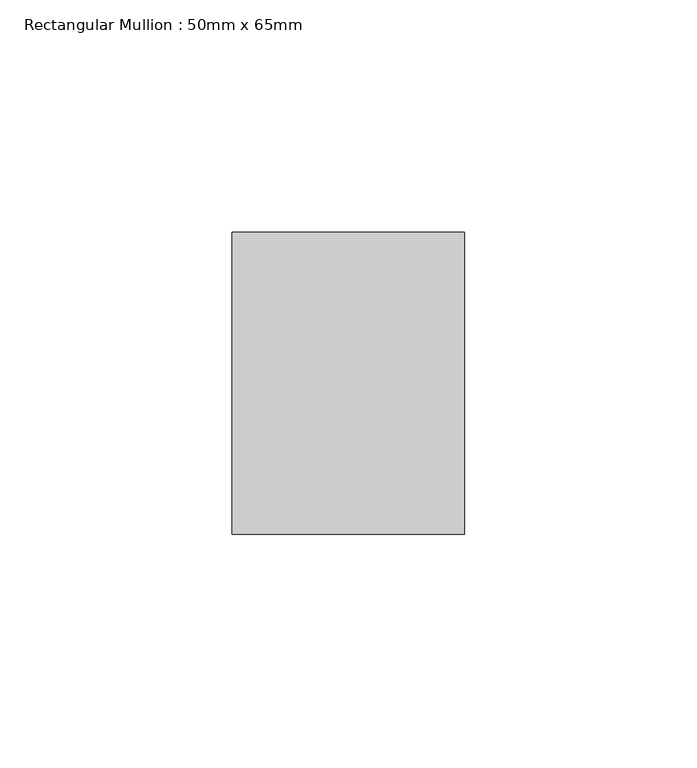
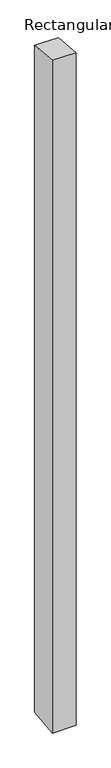
"""IFC4 building model written with IfcOpenShell, lengths in millimetres: member geometry, Rectangular Mullion : 50mm x 65mm."""

from ifc_helpers import new_model, si_unit, origin, place, context, project, spatial, faceted_brep, source, transform, mapped, element, save


def rectangular_mullion_50mm_x_65mm_74daeb8f(model_context):
    return source(origin(), model_context, "Body", "Brep", [
        faceted_brep([(-25.0, 32.5, -2.9911491), (25.0, 32.5, -2.9911612), (25.0, 32.5, -1496.6283175), (-25.0, 32.5, -1496.6283312), (-25.0, -32.5, 2.9911612), (-25.0, -32.5, -1503.3716921), (25.0, -32.5, 2.9911491), (25.0, -32.5, -1503.3716783)], [[[0, 1, 2, 3]], [[4, 0, 3, 5]], [[6, 4, 5, 7]], [[1, 6, 7, 2]], [[1, 0, 4, 6]], [[2, 7, 5, 3]]]),
    ])


if __name__ == "__main__":
    model = new_model("IFC4")
    model_context = context("Model", 3, world=origin())
    ifc_project = project(units=[si_unit("LENGTHUNIT", "METRE", prefix="MILLI")], contexts=[model_context])
    site = spatial("IfcSite", under=ifc_project)
    building = spatial("IfcBuilding", under=site)
    placement = place(None, origin())
    rectangular_mullion_50mm_x_65mm_shape = rectangular_mullion_50mm_x_65mm_74daeb8f(model_context)
    element("IfcMember", 1, ObjectType="Rectangular Mullion : 50mm x 65mm", at=placement, inside=building, context=model_context, shape_type="MappedRepresentation", body=[
        mapped(rectangular_mullion_50mm_x_65mm_shape, transform((0.0, 0.0, 0.0), x_axis=(1.0, 0.0, 0.0), y_axis=(0.0, 1.0, 0.0), z_axis=(0.0, 0.0, 1.0))),
    ])
    save(model, "model.ifc")
